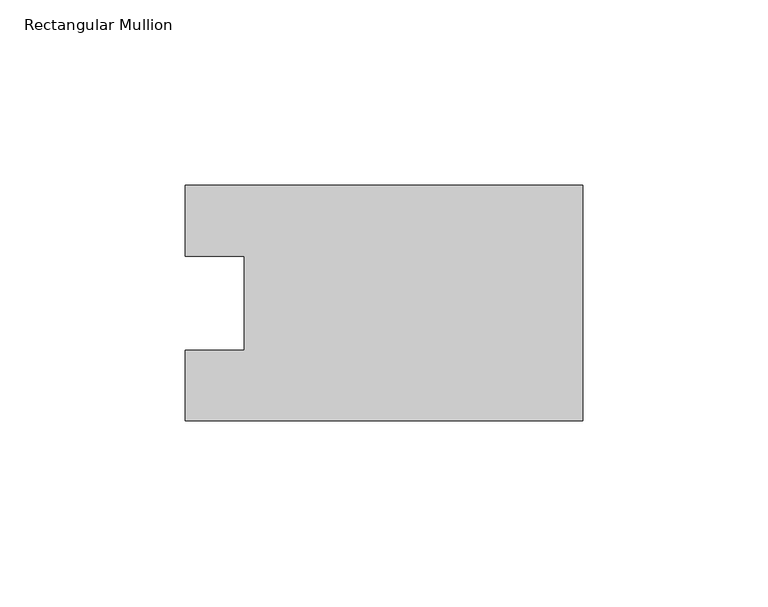
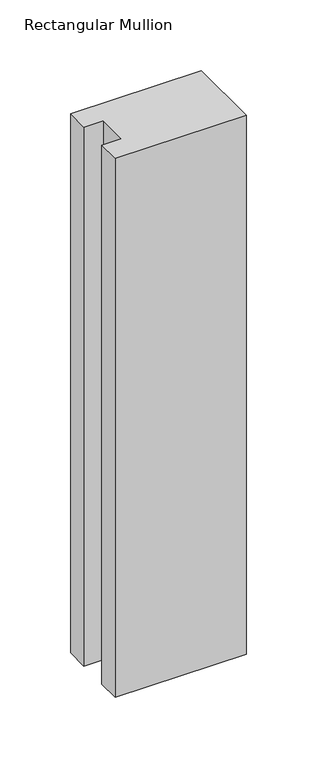
"""IFC4 building model written with IfcOpenShell, lengths in millimetres: member geometry, Rectangular Mullion."""

from ifc_helpers import new_model, si_unit, frame, origin, place, context, project, spatial, polyline, outline, extrude, source, transform, mapped, element, save


def rectangular_mullion_d691e1e9(model_context):
    return source(origin(), model_context, "Body", "SweptSolid", [
        extrude(outline(polyline([(0.0, 31.7489583), (0.0, -31.7489583), (-107.0607968, -31.7489583), (-107.0607968, -12.7), (-91.1857968, -12.7), (-91.1857968, 12.7), (-107.0607968, 12.7), (-107.0607968, 31.7489583), (0.0, 31.7489583)])), frame((0.0, 0.0, -466.4607299), z_axis=(0.0, 0.0, 1.0), x_axis=(1.0, 0.0, 0.0)), (0.0, 0.0, 1.0), 466.4607299),
    ])


if __name__ == "__main__":
    model = new_model("IFC4")
    model_context = context("Model", 3, world=origin())
    ifc_project = project(units=[si_unit("LENGTHUNIT", "METRE", prefix="MILLI")], contexts=[model_context])
    site = spatial("IfcSite", under=ifc_project)
    building = spatial("IfcBuilding", under=site)
    placement = place(None, origin())
    rectangular_mullion_shape = rectangular_mullion_d691e1e9(model_context)
    element("IfcMember", 1, ObjectType="Rectangular Mullion", at=placement, inside=building, context=model_context, shape_type="MappedRepresentation", body=[
        mapped(rectangular_mullion_shape, transform((0.0, 0.0, 0.0), x_axis=(1.0, 0.0, 0.0), y_axis=(0.0, 1.0, 0.0), z_axis=(0.0, 0.0, 1.0))),
    ])
    save(model, "model.ifc")
